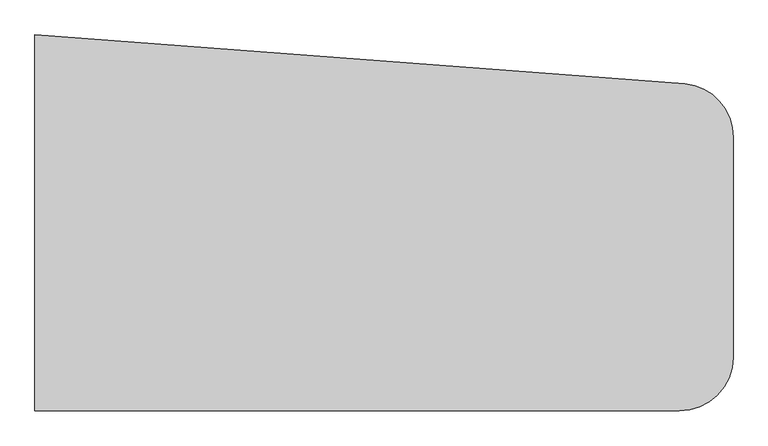
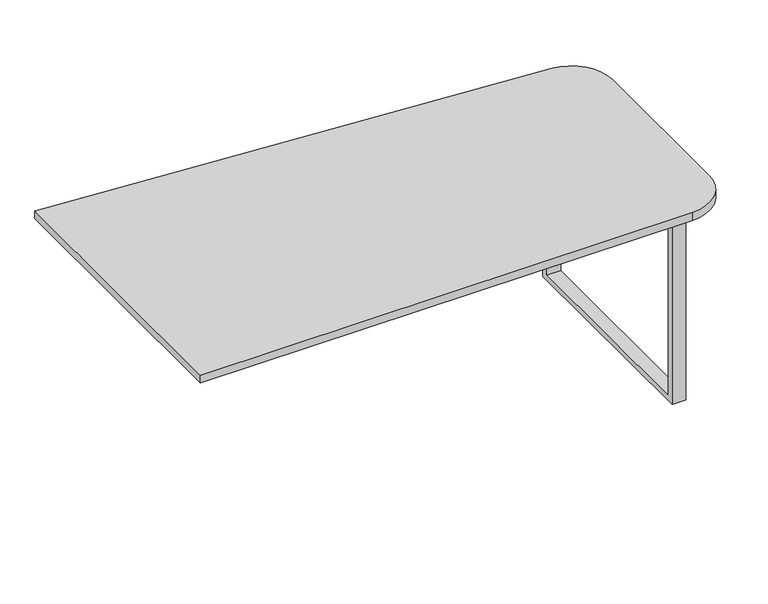
"""IFC4 building model written with IfcOpenShell, lengths in millimetres: furniture geometry."""

from ifc_helpers import new_model, si_unit, point, frame, frame_2d, origin, place, context, project, spatial, polyline, circle_curve, trimmed, segment, composite_curve, outline, extrude, source, transform, mapped, element, save


def furniture_94981d3c(model_context):
    return source(origin(), model_context, "Body", "SweptSolid", [
        extrude(outline(composite_curve([segment(polyline([(838.2, -533.4), (-990.6, -533.4), (-990.6, 533.4), (853.8818306, 395.1432589)]), True, "CONTINUOUS"), segment(trimmed(circle_curve(frame_2d((838.2, 243.5522295)), 152.4), [point((853.8818306, 395.1432589))], [point((990.6, 243.5522295))], False, "CARTESIAN"), True, "CONTINUOUS"), segment(polyline([(990.6, 243.5522295), (990.6, -381.0)]), True, "CONTINUOUS"), segment(trimmed(circle_curve(frame_2d((838.2, -381.0)), 152.4), [point((990.6, -381.0))], [point((838.2, -533.4))], False, "CARTESIAN"), True, "CONTINUOUS")], self_intersect=False)), frame((0.0, 0.0, 731.8375), z_axis=(0.0, 0.0, 1.0), x_axis=(1.0, 0.0, 0.0)), (0.0, 0.0, 1.0), 30.1625),
        extrude(outline(polyline([(-466.725, 731.8375), (-466.725, 20.6375), (314.325, 20.6375), (314.325, 731.8375), (339.725, 731.8375), (339.725, 0.0), (-492.125, 0.0), (-492.125, 731.8375), (-466.725, 731.8375)])), frame((787.4, 0.0, 0.0), z_axis=(1.0, 0.0, 0.0), x_axis=(0.0, 1.0, 0.0)), (0.0, 0.0, 1.0), 50.8),
    ])


if __name__ == "__main__":
    model = new_model("IFC4")
    model_context = context("Model", 3, world=origin())
    ifc_project = project(units=[si_unit("LENGTHUNIT", "METRE", prefix="MILLI")], contexts=[model_context])
    site = spatial("IfcSite", under=ifc_project)
    building = spatial("IfcBuilding", under=site)
    placement = place(None, origin())
    furniture_shape = furniture_94981d3c(model_context)
    element("IfcFurniture", 1, at=placement, inside=building, context=model_context, shape_type="MappedRepresentation", body=[
        mapped(furniture_shape, transform((0.0, 0.0, 0.0), x_axis=(1.0, 0.0, 0.0), y_axis=(0.0, 1.0, 0.0), z_axis=(0.0, 0.0, 1.0))),
    ])
    save(model, "model.ifc")
